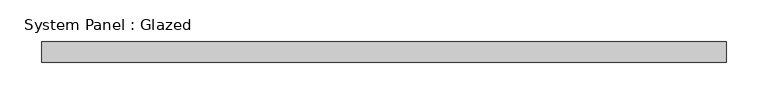
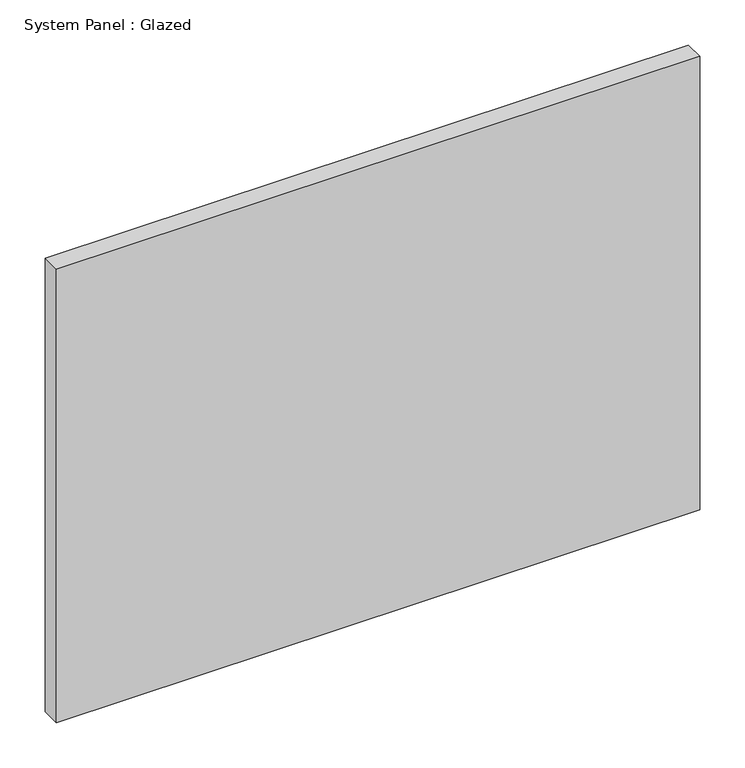
"""IFC4 building model written with IfcOpenShell, lengths in millimetres: plate geometry, System Panel : Glazed."""

from ifc_helpers import new_model, si_unit, origin, origin_with_axes, place, context, project, spatial, polyline, outline, extrude, source, transform, mapped, element, save


def system_panel_glazed_79c16812(model_context):
    return source(origin(), model_context, "Body", "SweptSolid", [
        extrude(outline(polyline([(412.5, -49.5), (-412.5, -49.5), (-412.5, -24.5), (412.5, -24.5), (412.5, -49.5)])), origin_with_axes(), (0.0, 0.0, 1.0), 615.0),
    ])


if __name__ == "__main__":
    model = new_model("IFC4")
    model_context = context("Model", 3, world=origin())
    ifc_project = project(units=[si_unit("LENGTHUNIT", "METRE", prefix="MILLI")], contexts=[model_context])
    site = spatial("IfcSite", under=ifc_project)
    building = spatial("IfcBuilding", under=site)
    placement = place(None, origin())
    system_panel_glazed_shape = system_panel_glazed_79c16812(model_context)
    element("IfcPlate", 1, ObjectType="System Panel : Glazed", at=placement, inside=building, context=model_context, shape_type="MappedRepresentation", body=[
        mapped(system_panel_glazed_shape, transform((0.0, 0.0, 0.0), x_axis=(1.0, 0.0, 0.0), y_axis=(0.0, 1.0, 0.0), z_axis=(0.0, 0.0, 1.0))),
    ])
    save(model, "model.ifc")
